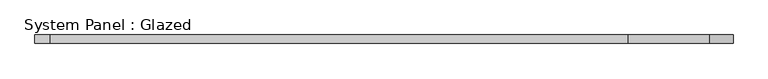
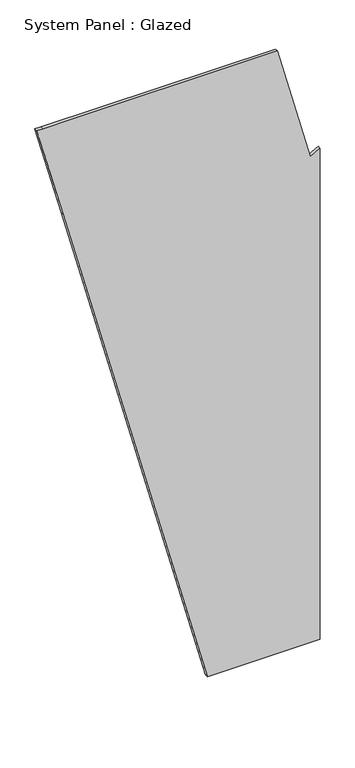
"""IFC4 building model written with IfcOpenShell, lengths in millimetres: plate geometry, System Panel : Glazed."""

from ifc_helpers import new_model, si_unit, frame, origin, place, context, project, spatial, polyline, outline, extrude, source, transform, mapped, element, save


def system_panel_glazed_97bcc5a9(model_context):
    return source(origin(), model_context, "Body", "SweptSolid", [
        extrude(outline(polyline([(0.0, 210.441401), (0.0, 1035.5223438), (3788.7033052, 1035.5223438), (3749.8804484, 965.6334698), (4650.0, 724.4471629), (4650.0, -989.6698111), (4650.0, -1035.5223438), (3938.1433794, -844.7809372), (0.0, 210.441401)])), frame((0.0, -22.5, 0.0), z_axis=(0.0, 1.0, 0.0), x_axis=(0.0, 0.0, 1.0)), (0.0, 0.0, 1.0), 25.0),
    ])


if __name__ == "__main__":
    model = new_model("IFC4")
    model_context = context("Model", 3, world=origin())
    ifc_project = project(units=[si_unit("LENGTHUNIT", "METRE", prefix="MILLI")], contexts=[model_context])
    site = spatial("IfcSite", under=ifc_project)
    building = spatial("IfcBuilding", under=site)
    placement = place(None, origin())
    system_panel_glazed_shape = system_panel_glazed_97bcc5a9(model_context)
    element("IfcPlate", 1, ObjectType="System Panel : Glazed", at=placement, inside=building, context=model_context, shape_type="MappedRepresentation", body=[
        mapped(system_panel_glazed_shape, transform((0.0, 0.0, 0.0), x_axis=(1.0, 0.0, 0.0), y_axis=(0.0, 1.0, 0.0), z_axis=(0.0, 0.0, 1.0))),
    ])
    save(model, "model.ifc")
